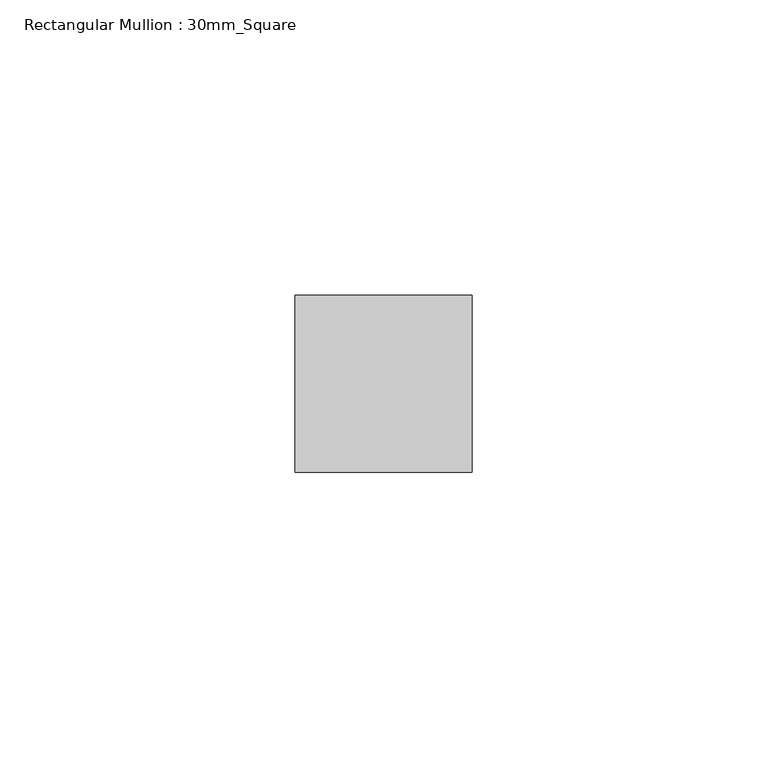
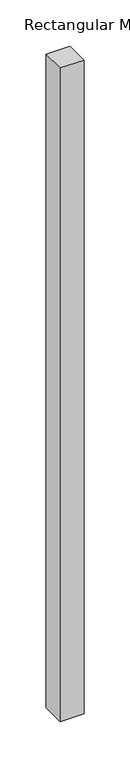
"""IFC4 building model written with IfcOpenShell, lengths in millimetres: member geometry, Rectangular Mullion : 30mm_Square."""

import ifcopenshell
import ifcopenshell.guid

model = None  # the IFC model being written
_history = None  # IfcOwnerHistory: only IFC2X3 demands one
_inside = {}  # id of a spatial element -> (the spatial element, [elements in it])
_under = {}  # id of a project, library or spatial element -> (it, [spatial elements below it])
_declared = {}  # id of a project -> (the project, [libraries it declares])
_typed = {}  # id of a type object -> (the type object, [elements of that type])
_made_of = {}  # id of a material, layer set ... -> (it, [elements and type objects made of it])


def new_model(schema):
    """Start an empty IFC model of exactly this schema.

    Asked for "IFC4X3", IfcOpenShell would pick the latest addendum, in which some entities
    have other attributes; the version numbers below select the first issue.
    IFC2X3 requires an IfcOwnerHistory on every rooted entity: one is made here for all.
    """
    global model, _history
    if schema == "IFC4X3":
        model = ifcopenshell.file(schema_version=(4, 3, 0, 0))
    else:
        model = ifcopenshell.file(schema=schema)
    _inside.clear()
    _under.clear()
    _declared.clear()
    _typed.clear()
    _made_of.clear()
    _history = None
    if model.schema == "IFC2X3":
        org = make("IfcOrganization", Name="unknown")
        user = make(
            "IfcPersonAndOrganization",
            ThePerson=make("IfcPerson", FamilyName="unknown"),
            TheOrganization=org,
        )
        app = make(
            "IfcApplication",
            ApplicationDeveloper=org,
            Version="unknown",
            ApplicationFullName="unknown",
            ApplicationIdentifier="unknown",
        )
        _history = make(
            "IfcOwnerHistory",
            OwningUser=user,
            OwningApplication=app,
            ChangeAction="ADDED",
            CreationDate=0,
        )
    return model


def make(cls, **values):
    """One entity of the class cls with the attributes given. An attribute that is None is left unset."""
    return model.create_entity(
        cls, **{name: value for name, value in values.items() if value is not None}
    )


def rooted(cls, **values):
    """An entity with a GlobalId (a new one), such as an element, a storey or a relation."""
    return make(cls, GlobalId=ifcopenshell.guid.new(), OwnerHistory=_history, **values)


def si_unit(unit_type, name, prefix=None):
    """IfcSIUnit, for example si_unit("LENGTHUNIT", "METRE", prefix="MILLI")."""
    return make("IfcSIUnit", UnitType=unit_type, Prefix=prefix, Name=name)


def assignment(units):
    """IfcUnitAssignment: the units of a project."""
    return None if units is None else make("IfcUnitAssignment", Units=units)


def point(xyz):
    """IfcCartesianPoint."""
    return None if xyz is None else make("IfcCartesianPoint", Coordinates=xyz)


def direction(xyz):
    """IfcDirection."""
    return None if xyz is None else make("IfcDirection", DirectionRatios=xyz)


def frame(location, z_axis=None, x_axis=None):
    """IfcAxis2Placement3D, a coordinate frame: its origin and axes. An axis left out is left unset."""
    return make(
        "IfcAxis2Placement3D",
        Location=point(location),
        Axis=direction(z_axis),
        RefDirection=direction(x_axis),
    )


def origin():
    """The frame at (0, 0, 0) with its axes left unset."""
    return frame((0.0, 0.0, 0.0))


def place(relative_to, where):
    """IfcLocalPlacement: puts the frame where relative to a parent placement (None: the world)."""
    return make(
        "IfcLocalPlacement", PlacementRelTo=relative_to, RelativePlacement=where
    )


def context(
    kind, dimensions, precision=None, world=None, true_north=None, identifier=None
):
    """IfcGeometricRepresentationContext, for example the 3D "Model" context."""
    return make(
        "IfcGeometricRepresentationContext",
        ContextIdentifier=identifier,
        ContextType=kind,
        CoordinateSpaceDimension=dimensions,
        Precision=precision,
        WorldCoordinateSystem=world,
        TrueNorth=true_north,
    )


def project(units=None, contexts=None):
    """IfcProject with its units and contexts."""
    return rooted(
        "IfcProject",
        Name="project",
        RepresentationContexts=contexts,
        UnitsInContext=assignment(units),
    )


def spatial(cls, under=None, at=None, **own):
    """A site, building, storey or space (cls), placed at a placement, below another one or the project."""
    s = rooted(cls, ObjectPlacement=at, **own)
    if under is not None:
        _under.setdefault(under.id(), (under, []))[1].append(s)
    return s


def polyline(points):
    """IfcPolyline through the points."""
    return make("IfcPolyline", Points=[point(p) for p in points])


def outline(outer, holes=None, kind="AREA"):
    """IfcArbitraryClosedProfileDef: a profile drawn as a closed curve; with holes, ...WithVoids."""
    if holes is None:
        return make("IfcArbitraryClosedProfileDef", ProfileType=kind, OuterCurve=outer)
    return make(
        "IfcArbitraryProfileDefWithVoids",
        ProfileType=kind,
        OuterCurve=outer,
        InnerCurves=holes,
    )


def extrude(swept, where, along, depth):
    """IfcExtrudedAreaSolid: the profile swept, set in the frame where, extruded along a direction by depth."""
    return make(
        "IfcExtrudedAreaSolid",
        SweptArea=swept,
        Position=where,
        ExtrudedDirection=direction(along),
        Depth=depth,
    )


def shape(context_of_items, identifier, shape_type, items):
    """IfcShapeRepresentation: the items that make up one representation, for example the "Body"."""
    return make(
        "IfcShapeRepresentation",
        ContextOfItems=context_of_items,
        RepresentationIdentifier=identifier,
        RepresentationType=shape_type,
        Items=items,
    )


def source(mapping_origin, context_of_items, identifier, shape_type, items):
    """IfcRepresentationMap: a shape defined once, which mapped items show again and again."""
    return make(
        "IfcRepresentationMap",
        MappingOrigin=mapping_origin,
        MappedRepresentation=shape(context_of_items, identifier, shape_type, items),
    )


def transform(
    local_origin,
    x_axis=None,
    y_axis=None,
    z_axis=None,
    scale=None,
    scale2=None,
    scale3=None,
    uniform=True,
):
    """IfcCartesianTransformationOperator3D, or its non-uniform kind. x_axis, y_axis, z_axis: its Axis1, 2, 3."""
    if uniform:
        return make(
            "IfcCartesianTransformationOperator3D",
            Axis1=direction(x_axis),
            Axis2=direction(y_axis),
            LocalOrigin=point(local_origin),
            Scale=scale,
            Axis3=direction(z_axis),
        )
    return make(
        "IfcCartesianTransformationOperator3DnonUniform",
        Axis1=direction(x_axis),
        Axis2=direction(y_axis),
        LocalOrigin=point(local_origin),
        Scale=scale,
        Axis3=direction(z_axis),
        Scale2=scale2,
        Scale3=scale3,
    )


def mapped(mapping_source, mapping_target):
    """IfcMappedItem: shows the shape of a source again, moved by a transform."""
    return make(
        "IfcMappedItem", MappingSource=mapping_source, MappingTarget=mapping_target
    )


def made_of(thing, what):
    """Note that an element or type object is made of a material, layer set ...; save() writes the relation."""
    if what is not None:
        _made_of.setdefault(what.id(), (what, []))[1].append(thing)
    return thing


def element(
    cls,
    number,
    at=None,
    inside=None,
    cuts=None,
    type_object=None,
    material=None,
    context=None,
    identifier="Body",
    shape_type=None,
    held_by="IfcProductDefinitionShape",
    body=None,
    shapes=None,
    **own,
):
    """One element of the class cls, such as IfcWall. Its Tag is "e" and its number.

    at: its placement. inside: the storey or other place that contains it. cuts: it is an
    opening in that element (IfcRelVoidsElement). A single representation is given by context,
    identifier, shape_type and body (its items); several are given by shapes. held_by: the class
    of the entity that holds the representations. save() writes the other relations.
    """
    e = rooted(cls, Tag="e%d" % number, ObjectPlacement=at, **own)
    if body is not None:
        shapes = [shape(context, identifier, shape_type, body)]
    if shapes is not None:
        e.Representation = make(held_by, Representations=shapes)
    if inside is not None:
        _inside.setdefault(inside.id(), (inside, []))[1].append(e)
    if cuts is not None:
        rooted(
            "IfcRelVoidsElement", RelatingBuildingElement=cuts, RelatedOpeningElement=e
        )
    if type_object is not None:
        _typed.setdefault(type_object.id(), (type_object, []))[1].append(e)
    return made_of(e, material)


def aggregate(whole, parts):
    """IfcRelAggregates: a whole, such as a stair, and the parts it consists of."""
    return rooted("IfcRelAggregates", RelatingObject=whole, RelatedObjects=parts)


def save(model, path):
    """Write the relations noted so far, then the file.

    IfcRelAggregates (storeys below a building ...), IfcRelContainedInSpatialStructure (elements
    in a storey), IfcRelDefinesByType, IfcRelAssociatesMaterial and IfcRelDeclares: one each for
    every whole, place, type object, material and project.
    """
    for whole, parts in _under.values():
        aggregate(whole, parts)
    for where, things in _inside.values():
        rooted(
            "IfcRelContainedInSpatialStructure",
            RelatedElements=things,
            RelatingStructure=where,
        )
    for kind, things in _typed.values():
        rooted("IfcRelDefinesByType", RelatedObjects=things, RelatingType=kind)
    for what, things in _made_of.values():
        rooted("IfcRelAssociatesMaterial", RelatedObjects=things, RelatingMaterial=what)
    for by, libraries in _declared.values():
        rooted("IfcRelDeclares", RelatingContext=by, RelatedDefinitions=libraries)
    model.write(path)


def rectangular_mullion_30mm_square_14431e41(model_context):
    return source(origin(), model_context, "Body", "SweptSolid", [
        extrude(outline(polyline([(15.0, 15.0), (15.0, -15.0), (-15.0, -15.0), (-15.0, 15.0), (15.0, 15.0)])), frame((0.0, 0.0, -862.8855), z_axis=(0.0, 0.0, 1.0), x_axis=(1.0, 0.0, 0.0)), (0.0, 0.0, 1.0), 862.8855),
    ])


if __name__ == "__main__":
    model = new_model("IFC4")
    model_context = context("Model", 3, world=origin())
    ifc_project = project(units=[si_unit("LENGTHUNIT", "METRE", prefix="MILLI")], contexts=[model_context])
    site = spatial("IfcSite", under=ifc_project)
    building = spatial("IfcBuilding", under=site)
    placement = place(None, origin())
    rectangular_mullion_30mm_square_shape = rectangular_mullion_30mm_square_14431e41(model_context)
    element("IfcMember", 1, ObjectType="Rectangular Mullion : 30mm_Square", at=placement, inside=building, context=model_context, shape_type="MappedRepresentation", body=[
        mapped(rectangular_mullion_30mm_square_shape, transform((0.0, 0.0, 0.0), x_axis=(1.0, 0.0, 0.0), y_axis=(0.0, 1.0, 0.0), z_axis=(0.0, 0.0, 1.0))),
    ])
    save(model, "model.ifc")
